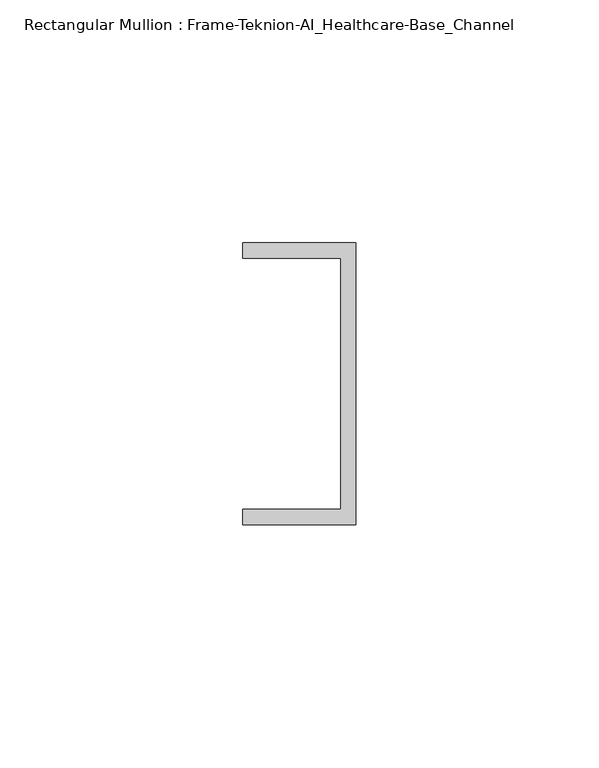
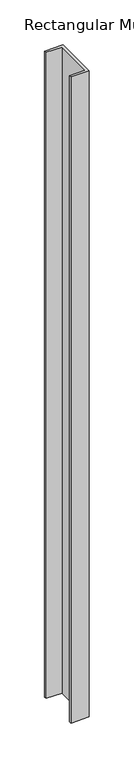
"""IFC4 building model written with IfcOpenShell, lengths in millimetres: member geometry, Rectangular Mullion : Frame-Teknion-AI_Healthcare-Base_Channel."""

import ifcopenshell
import ifcopenshell.guid

model = None  # the IFC model being written
_history = None  # IfcOwnerHistory: only IFC2X3 demands one
_inside = {}  # id of a spatial element -> (the spatial element, [elements in it])
_under = {}  # id of a project, library or spatial element -> (it, [spatial elements below it])
_declared = {}  # id of a project -> (the project, [libraries it declares])
_typed = {}  # id of a type object -> (the type object, [elements of that type])
_made_of = {}  # id of a material, layer set ... -> (it, [elements and type objects made of it])


def new_model(schema):
    """Start an empty IFC model of exactly this schema.

    Asked for "IFC4X3", IfcOpenShell would pick the latest addendum, in which some entities
    have other attributes; the version numbers below select the first issue.
    IFC2X3 requires an IfcOwnerHistory on every rooted entity: one is made here for all.
    """
    global model, _history
    if schema == "IFC4X3":
        model = ifcopenshell.file(schema_version=(4, 3, 0, 0))
    else:
        model = ifcopenshell.file(schema=schema)
    _inside.clear()
    _under.clear()
    _declared.clear()
    _typed.clear()
    _made_of.clear()
    _history = None
    if model.schema == "IFC2X3":
        org = make("IfcOrganization", Name="unknown")
        user = make(
            "IfcPersonAndOrganization",
            ThePerson=make("IfcPerson", FamilyName="unknown"),
            TheOrganization=org,
        )
        app = make(
            "IfcApplication",
            ApplicationDeveloper=org,
            Version="unknown",
            ApplicationFullName="unknown",
            ApplicationIdentifier="unknown",
        )
        _history = make(
            "IfcOwnerHistory",
            OwningUser=user,
            OwningApplication=app,
            ChangeAction="ADDED",
            CreationDate=0,
        )
    return model


def make(cls, **values):
    """One entity of the class cls with the attributes given. An attribute that is None is left unset."""
    return model.create_entity(
        cls, **{name: value for name, value in values.items() if value is not None}
    )


def rooted(cls, **values):
    """An entity with a GlobalId (a new one), such as an element, a storey or a relation."""
    return make(cls, GlobalId=ifcopenshell.guid.new(), OwnerHistory=_history, **values)


def si_unit(unit_type, name, prefix=None):
    """IfcSIUnit, for example si_unit("LENGTHUNIT", "METRE", prefix="MILLI")."""
    return make("IfcSIUnit", UnitType=unit_type, Prefix=prefix, Name=name)


def assignment(units):
    """IfcUnitAssignment: the units of a project."""
    return None if units is None else make("IfcUnitAssignment", Units=units)


def point(xyz):
    """IfcCartesianPoint."""
    return None if xyz is None else make("IfcCartesianPoint", Coordinates=xyz)


def direction(xyz):
    """IfcDirection."""
    return None if xyz is None else make("IfcDirection", DirectionRatios=xyz)


def frame(location, z_axis=None, x_axis=None):
    """IfcAxis2Placement3D, a coordinate frame: its origin and axes. An axis left out is left unset."""
    return make(
        "IfcAxis2Placement3D",
        Location=point(location),
        Axis=direction(z_axis),
        RefDirection=direction(x_axis),
    )


def origin():
    """The frame at (0, 0, 0) with its axes left unset."""
    return frame((0.0, 0.0, 0.0))


def place(relative_to, where):
    """IfcLocalPlacement: puts the frame where relative to a parent placement (None: the world)."""
    return make(
        "IfcLocalPlacement", PlacementRelTo=relative_to, RelativePlacement=where
    )


def context(
    kind, dimensions, precision=None, world=None, true_north=None, identifier=None
):
    """IfcGeometricRepresentationContext, for example the 3D "Model" context."""
    return make(
        "IfcGeometricRepresentationContext",
        ContextIdentifier=identifier,
        ContextType=kind,
        CoordinateSpaceDimension=dimensions,
        Precision=precision,
        WorldCoordinateSystem=world,
        TrueNorth=true_north,
    )


def project(units=None, contexts=None):
    """IfcProject with its units and contexts."""
    return rooted(
        "IfcProject",
        Name="project",
        RepresentationContexts=contexts,
        UnitsInContext=assignment(units),
    )


def spatial(cls, under=None, at=None, **own):
    """A site, building, storey or space (cls), placed at a placement, below another one or the project."""
    s = rooted(cls, ObjectPlacement=at, **own)
    if under is not None:
        _under.setdefault(under.id(), (under, []))[1].append(s)
    return s


def polyline(points):
    """IfcPolyline through the points."""
    return make("IfcPolyline", Points=[point(p) for p in points])


def outline(outer, holes=None, kind="AREA"):
    """IfcArbitraryClosedProfileDef: a profile drawn as a closed curve; with holes, ...WithVoids."""
    if holes is None:
        return make("IfcArbitraryClosedProfileDef", ProfileType=kind, OuterCurve=outer)
    return make(
        "IfcArbitraryProfileDefWithVoids",
        ProfileType=kind,
        OuterCurve=outer,
        InnerCurves=holes,
    )


def extrude(swept, where, along, depth):
    """IfcExtrudedAreaSolid: the profile swept, set in the frame where, extruded along a direction by depth."""
    return make(
        "IfcExtrudedAreaSolid",
        SweptArea=swept,
        Position=where,
        ExtrudedDirection=direction(along),
        Depth=depth,
    )


def shape(context_of_items, identifier, shape_type, items):
    """IfcShapeRepresentation: the items that make up one representation, for example the "Body"."""
    return make(
        "IfcShapeRepresentation",
        ContextOfItems=context_of_items,
        RepresentationIdentifier=identifier,
        RepresentationType=shape_type,
        Items=items,
    )


def source(mapping_origin, context_of_items, identifier, shape_type, items):
    """IfcRepresentationMap: a shape defined once, which mapped items show again and again."""
    return make(
        "IfcRepresentationMap",
        MappingOrigin=mapping_origin,
        MappedRepresentation=shape(context_of_items, identifier, shape_type, items),
    )


def transform(
    local_origin,
    x_axis=None,
    y_axis=None,
    z_axis=None,
    scale=None,
    scale2=None,
    scale3=None,
    uniform=True,
):
    """IfcCartesianTransformationOperator3D, or its non-uniform kind. x_axis, y_axis, z_axis: its Axis1, 2, 3."""
    if uniform:
        return make(
            "IfcCartesianTransformationOperator3D",
            Axis1=direction(x_axis),
            Axis2=direction(y_axis),
            LocalOrigin=point(local_origin),
            Scale=scale,
            Axis3=direction(z_axis),
        )
    return make(
        "IfcCartesianTransformationOperator3DnonUniform",
        Axis1=direction(x_axis),
        Axis2=direction(y_axis),
        LocalOrigin=point(local_origin),
        Scale=scale,
        Axis3=direction(z_axis),
        Scale2=scale2,
        Scale3=scale3,
    )


def mapped(mapping_source, mapping_target):
    """IfcMappedItem: shows the shape of a source again, moved by a transform."""
    return make(
        "IfcMappedItem", MappingSource=mapping_source, MappingTarget=mapping_target
    )


def made_of(thing, what):
    """Note that an element or type object is made of a material, layer set ...; save() writes the relation."""
    if what is not None:
        _made_of.setdefault(what.id(), (what, []))[1].append(thing)
    return thing


def element(
    cls,
    number,
    at=None,
    inside=None,
    cuts=None,
    type_object=None,
    material=None,
    context=None,
    identifier="Body",
    shape_type=None,
    held_by="IfcProductDefinitionShape",
    body=None,
    shapes=None,
    **own,
):
    """One element of the class cls, such as IfcWall. Its Tag is "e" and its number.

    at: its placement. inside: the storey or other place that contains it. cuts: it is an
    opening in that element (IfcRelVoidsElement). A single representation is given by context,
    identifier, shape_type and body (its items); several are given by shapes. held_by: the class
    of the entity that holds the representations. save() writes the other relations.
    """
    e = rooted(cls, Tag="e%d" % number, ObjectPlacement=at, **own)
    if body is not None:
        shapes = [shape(context, identifier, shape_type, body)]
    if shapes is not None:
        e.Representation = make(held_by, Representations=shapes)
    if inside is not None:
        _inside.setdefault(inside.id(), (inside, []))[1].append(e)
    if cuts is not None:
        rooted(
            "IfcRelVoidsElement", RelatingBuildingElement=cuts, RelatedOpeningElement=e
        )
    if type_object is not None:
        _typed.setdefault(type_object.id(), (type_object, []))[1].append(e)
    return made_of(e, material)


def aggregate(whole, parts):
    """IfcRelAggregates: a whole, such as a stair, and the parts it consists of."""
    return rooted("IfcRelAggregates", RelatingObject=whole, RelatedObjects=parts)


def save(model, path):
    """Write the relations noted so far, then the file.

    IfcRelAggregates (storeys below a building ...), IfcRelContainedInSpatialStructure (elements
    in a storey), IfcRelDefinesByType, IfcRelAssociatesMaterial and IfcRelDeclares: one each for
    every whole, place, type object, material and project.
    """
    for whole, parts in _under.values():
        aggregate(whole, parts)
    for where, things in _inside.values():
        rooted(
            "IfcRelContainedInSpatialStructure",
            RelatedElements=things,
            RelatingStructure=where,
        )
    for kind, things in _typed.values():
        rooted("IfcRelDefinesByType", RelatedObjects=things, RelatingType=kind)
    for what, things in _made_of.values():
        rooted("IfcRelAssociatesMaterial", RelatedObjects=things, RelatingMaterial=what)
    for by, libraries in _declared.values():
        rooted("IfcRelDeclares", RelatingContext=by, RelatedDefinitions=libraries)
    model.write(path)


def rectangular_mullion_frame_teknion_ai_healthcare_base_channel_04be9153(model_context):
    return source(origin(), model_context, "Body", "SweptSolid", [
        extrude(outline(polyline([(0.0, 29.0214844), (0.0, -29.0214844), (-23.3164063, -29.0214844), (-23.3164063, -25.8464844), (-3.175, -25.8464844), (-3.175, 25.8464844), (-23.3164063, 25.8464844), (-23.3164063, 29.0214844), (0.0, 29.0214844)])), frame((0.0, 0.0, -876.3), z_axis=(0.0, 0.0, 1.0), x_axis=(1.0, 0.0, 0.0)), (0.0, 0.0, 1.0), 876.3),
    ])


if __name__ == "__main__":
    model = new_model("IFC4")
    model_context = context("Model", 3, world=origin())
    ifc_project = project(units=[si_unit("LENGTHUNIT", "METRE", prefix="MILLI")], contexts=[model_context])
    site = spatial("IfcSite", under=ifc_project)
    building = spatial("IfcBuilding", under=site)
    placement = place(None, origin())
    rectangular_mullion_frame_teknion_ai_healthcare_base_channel_shape = rectangular_mullion_frame_teknion_ai_healthcare_base_channel_04be9153(model_context)
    element("IfcMember", 1, ObjectType="Rectangular Mullion : Frame-Teknion-AI_Healthcare-Base_Channel", at=placement, inside=building, context=model_context, shape_type="MappedRepresentation", body=[
        mapped(rectangular_mullion_frame_teknion_ai_healthcare_base_channel_shape, transform((0.0, 0.0, 0.0), x_axis=(1.0, 0.0, 0.0), y_axis=(0.0, 1.0, 0.0), z_axis=(0.0, 0.0, 1.0))),
    ])
    save(model, "model.ifc")
